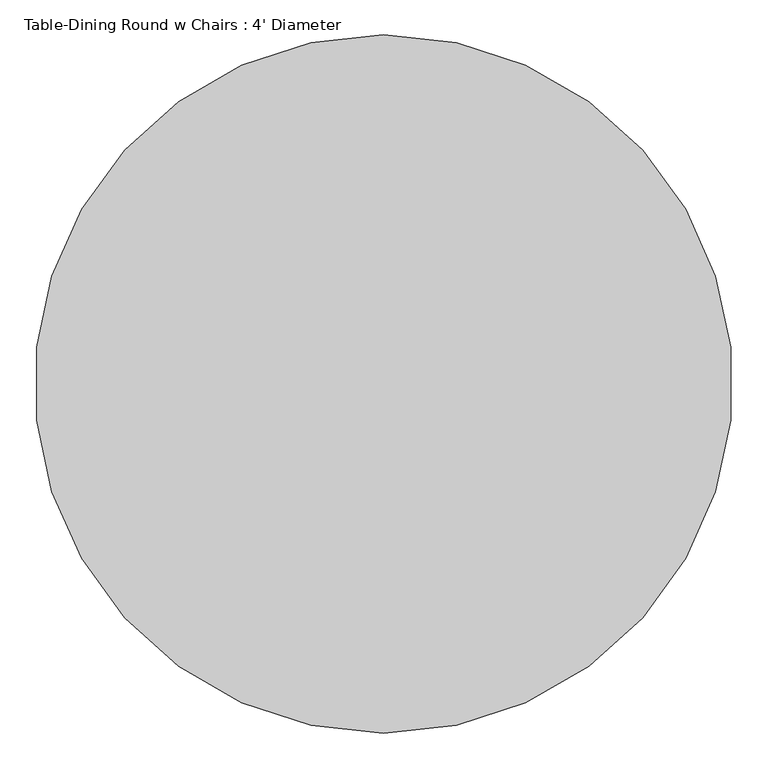
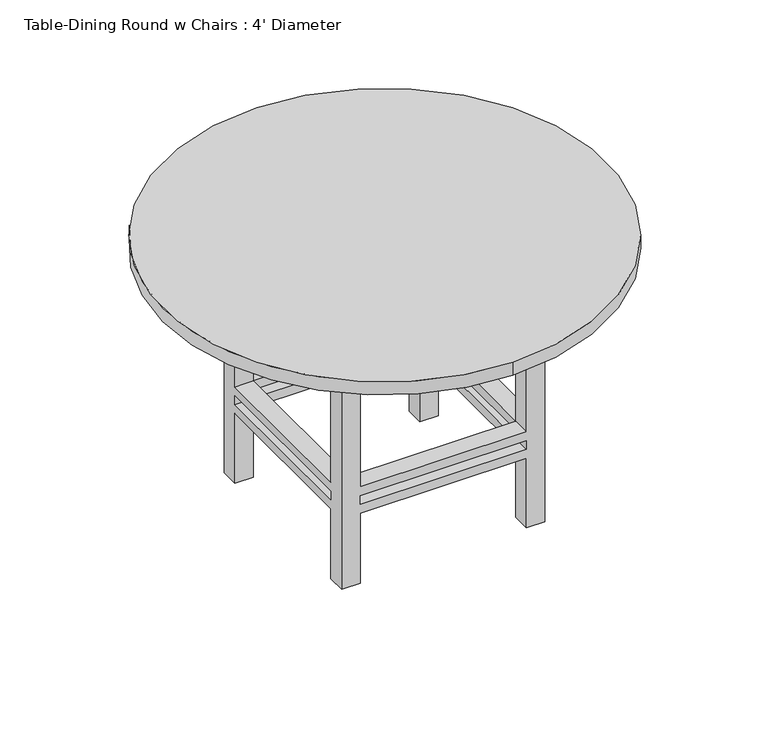
"""IFC4 building model written with IfcOpenShell, lengths in millimetres: furniture geometry, Table-Dining Round w Chairs : 4' Diameter."""

from ifc_helpers import new_model, si_unit, point, frame, frame_2d, origin, place, context, project, spatial, polyline, circle_curve, trimmed, segment, composite_curve, outline, extrude, faceted_brep, source, transform, mapped, element, save


def table_dining_round_w_chairs_4_diameter_7060ebe6(model_context):
    return source(origin(), model_context, "Body", "SolidModel", [
        faceted_brep([(332.2819672, 43.7213115, 279.4), (332.2819672, -413.4786885, 279.4), (383.0819672, -413.4786885, 279.4), (383.0819672, 43.7213115, 279.4), (-124.9180328, -413.4786885, 279.4), (-124.9180328, -464.2786885, 279.4), (332.2819672, -464.2786885, 279.4), (-124.9180328, 43.7213115, 279.4), (-175.7180328, 43.7213115, 279.4), (-175.7180328, -413.4786885, 279.4), (332.2819672, 94.5213115, 279.4), (-124.9180328, 94.5213115, 279.4), (332.2819672, 43.7213115, 254.0), (-124.9180328, 43.7213115, 254.0), (-124.9180328, 94.5213115, 254.0), (332.2819672, 94.5213115, 254.0), (-124.9180328, -413.4786885, 254.0), (-175.7180328, -413.4786885, 254.0), (-175.7180328, 43.7213115, 254.0), (332.2819672, -413.4786885, 254.0), (332.2819672, -464.2786885, 254.0), (-124.9180328, -464.2786885, 254.0), (383.0819672, 43.7213115, 254.0), (383.0819672, -413.4786885, 254.0), (-175.7180328, 94.5213115, 647.7), (-124.9180328, 94.5213115, 647.7), (332.2819672, 94.5213115, 647.7), (383.0819672, 94.5213115, 647.7), (383.0819672, 94.5213115, 0.0), (332.2819672, 94.5213115, 0.0), (332.2819672, 94.5213115, 203.2), (-124.9180328, 94.5213115, 203.2), (-124.9180328, 94.5213115, 0.0), (-175.7180328, 94.5213115, 0.0), (-124.9180328, 94.5213115, 228.6), (332.2819672, 94.5213115, 228.6), (-175.7180328, 43.7213115, 647.7), (-175.7180328, 43.7213115, 0.0), (-175.7180328, 43.7213115, 203.2), (-175.7180328, -413.4786885, 203.2), (-175.7180328, -413.4786885, 0.0), (-175.7180328, -464.2786885, 0.0), (-175.7180328, -464.2786885, 647.7), (-175.7180328, -413.4786885, 647.7), (-175.7180328, -413.4786885, 228.6), (-175.7180328, 43.7213115, 228.6), (383.0819672, -464.2786885, 647.7), (332.2819672, -464.2786885, 647.7), (-124.9180328, -464.2786885, 647.7), (-124.9180328, -464.2786885, 0.0), (-124.9180328, -464.2786885, 203.2), (332.2819672, -464.2786885, 203.2), (332.2819672, -464.2786885, 0.0), (383.0819672, -464.2786885, 0.0), (332.2819672, -464.2786885, 228.6), (-124.9180328, -464.2786885, 228.6), (383.0819672, 43.7213115, 647.7), (383.0819672, -413.4786885, 647.7), (383.0819672, -413.4786885, 0.0), (383.0819672, -413.4786885, 203.2), (383.0819672, 43.7213115, 203.2), (383.0819672, 43.7213115, 0.0), (383.0819672, 43.7213115, 228.6), (383.0819672, -413.4786885, 228.6), (-124.9180328, 43.7213115, 647.7), (332.2819672, -413.4786885, 647.7), (332.2819672, 43.7213115, 647.7), (-124.9180328, -413.4786885, 647.7), (332.2819672, 43.7213115, 0.0), (-124.9180328, -413.4786885, 0.0), (-124.9180328, 43.7213115, 0.0), (332.2819672, -413.4786885, 0.0), (-124.9180328, 43.7213115, 228.6), (-124.9180328, 43.7213115, 203.2), (332.2819672, 43.7213115, 228.6), (332.2819672, 43.7213115, 203.2), (332.2819672, -413.4786885, 228.6), (332.2819672, -413.4786885, 203.2), (-124.9180328, -413.4786885, 228.6), (-124.9180328, -413.4786885, 203.2)], [[[0, 1, 2, 3]], [[1, 4, 5, 6]], [[4, 7, 8, 9]], [[7, 0, 10, 11]], [[12, 13, 14, 15]], [[13, 16, 17, 18]], [[16, 19, 20, 21]], [[19, 12, 22, 23]], [[24, 25, 11, 10, 26, 27, 28, 29, 30, 31, 32, 33], [14, 34, 35, 15]], [[36, 24, 33, 37, 38, 39, 40, 41, 42, 43, 9, 8], [17, 44, 45, 18]], [[46, 47, 6, 5, 48, 42, 41, 49, 50, 51, 52, 53], [20, 54, 55, 21]], [[28, 27, 56, 3, 2, 57, 46, 53, 58, 59, 60, 61], [22, 62, 63, 23]], [[1, 0, 12, 19]], [[4, 1, 19, 16]], [[7, 4, 16, 13]], [[0, 7, 13, 12]], [[25, 24, 36, 64]], [[47, 46, 57, 65]], [[26, 66, 56, 27]], [[48, 67, 43, 42]], [[29, 28, 61, 68]], [[49, 41, 40, 69]], [[32, 70, 37, 33]], [[52, 71, 58, 53]], [[13, 18, 45, 72]], [[64, 36, 8, 7]], [[37, 70, 73, 38]], [[14, 13, 72, 34]], [[25, 64, 7, 11]], [[70, 32, 31, 73]], [[12, 15, 35, 74]], [[66, 26, 10, 0]], [[29, 68, 75, 30]], [[22, 12, 74, 62]], [[56, 66, 0, 3]], [[68, 61, 60, 75]], [[19, 23, 63, 76]], [[65, 57, 2, 1]], [[58, 71, 77, 59]], [[20, 19, 76, 54]], [[47, 65, 1, 6]], [[71, 52, 51, 77]], [[16, 21, 55, 78]], [[67, 48, 5, 4]], [[49, 69, 79, 50]], [[17, 16, 78, 44]], [[43, 67, 4, 9]], [[69, 40, 39, 79]], [[74, 76, 63, 62]], [[76, 78, 55, 54]], [[78, 72, 45, 44]], [[72, 74, 35, 34]], [[75, 73, 31, 30]], [[73, 79, 39, 38]], [[79, 77, 51, 50]], [[77, 75, 60, 59]], [[76, 74, 75, 77]], [[78, 76, 77, 79]], [[72, 78, 79, 73]], [[74, 72, 73, 75]]]),
        extrude(outline(polyline([(408.4819672, 119.9213115), (408.4819672, -489.6786885), (-201.1180328, -489.6786885), (-201.1180328, 119.9213115), (408.4819672, 119.9213115)]), holes=[polyline([(383.0819672, 94.5213115), (-175.7180328, 94.5213115), (-175.7180328, -464.2786885), (383.0819672, -464.2786885), (383.0819672, 94.5213115)])]), frame((0.0, 0.0, 647.7), z_axis=(0.0, 0.0, 1.0), x_axis=(1.0, 0.0, 0.0)), (0.0, 0.0, 1.0), 76.2),
        extrude(outline(composite_curve([segment(trimmed(circle_curve(frame_2d((103.6819672, -184.8786885)), 609.6), [point((103.6819672, -794.4786885))], [point((103.6819672, 424.7213115))], False, "CARTESIAN"), True, "CONTINUOUS"), segment(trimmed(circle_curve(frame_2d((103.6819672, -184.8786885)), 609.6), [point((103.6819672, 424.7213115))], [point((103.6819672, -794.4786885))], False, "CARTESIAN"), True, "CONTINUOUS")], self_intersect=False)), frame((0.0, 0.0, 723.9), z_axis=(0.0, 0.0, 1.0), x_axis=(1.0, 0.0, 0.0)), (0.0, 0.0, 1.0), 38.1),
    ])


if __name__ == "__main__":
    model = new_model("IFC4")
    model_context = context("Model", 3, world=origin())
    ifc_project = project(units=[si_unit("LENGTHUNIT", "METRE", prefix="MILLI")], contexts=[model_context])
    site = spatial("IfcSite", under=ifc_project)
    building = spatial("IfcBuilding", under=site)
    placement = place(None, origin())
    table_dining_round_w_chairs_4_diameter_shape = table_dining_round_w_chairs_4_diameter_7060ebe6(model_context)
    element("IfcFurniture", 1, ObjectType="Table-Dining Round w Chairs : 4' Diameter", at=placement, inside=building, context=model_context, shape_type="MappedRepresentation", body=[
        mapped(table_dining_round_w_chairs_4_diameter_shape, transform((0.0, 0.0, 0.0), x_axis=(1.0, 0.0, 0.0), y_axis=(0.0, 1.0, 0.0), z_axis=(0.0, 0.0, 1.0))),
    ])
    save(model, "model.ifc")
